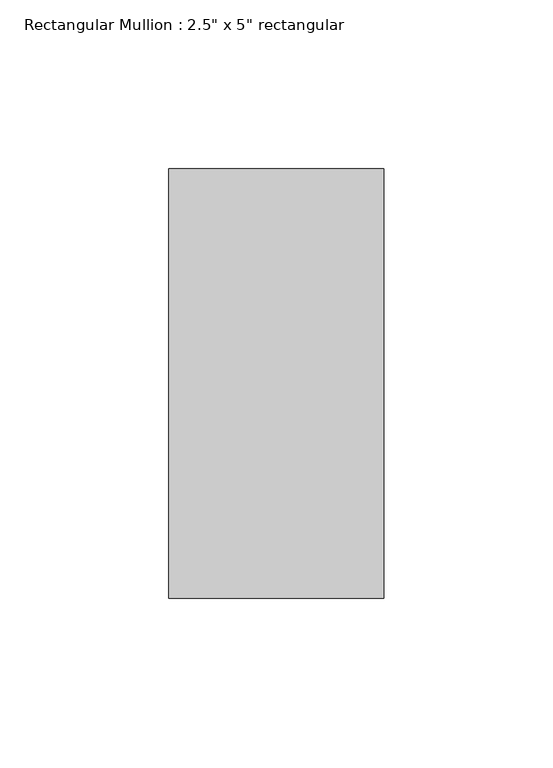
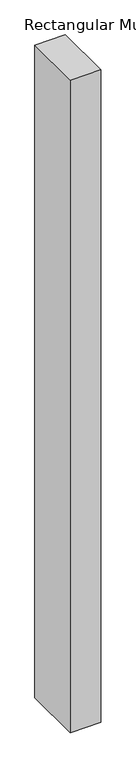
"""IFC4 building model written with IfcOpenShell, lengths in millimetres: member geometry."""

from ifc_helpers import new_model, si_unit, frame, origin, place, context, project, spatial, polyline, outline, extrude, source, transform, mapped, element, save


def member_418eb963(model_context):
    return source(origin(), model_context, "Body", "SweptSolid", [
        extrude(outline(polyline([(0.0, 63.5), (0.0, -63.5), (-63.5, -63.5), (-63.5, 63.5), (0.0, 63.5)])), frame((0.0, 0.0, -1436.5), z_axis=(0.0, 0.0, 1.0), x_axis=(1.0, 0.0, 0.0)), (0.0, 0.0, 1.0), 1436.5),
    ])


if __name__ == "__main__":
    model = new_model("IFC4")
    model_context = context("Model", 3, world=origin())
    ifc_project = project(units=[si_unit("LENGTHUNIT", "METRE", prefix="MILLI")], contexts=[model_context])
    site = spatial("IfcSite", under=ifc_project)
    building = spatial("IfcBuilding", under=site)
    placement = place(None, origin())
    member_shape = member_418eb963(model_context)
    element("IfcMember", 1, ObjectType="Rectangular Mullion : 2.5\" x 5\" rectangular", at=placement, inside=building, context=model_context, shape_type="MappedRepresentation", body=[
        mapped(member_shape, transform((0.0, 0.0, 0.0), x_axis=(1.0, 0.0, 0.0), y_axis=(0.0, 1.0, 0.0), z_axis=(0.0, 0.0, 1.0))),
    ])
    save(model, "model.ifc")
